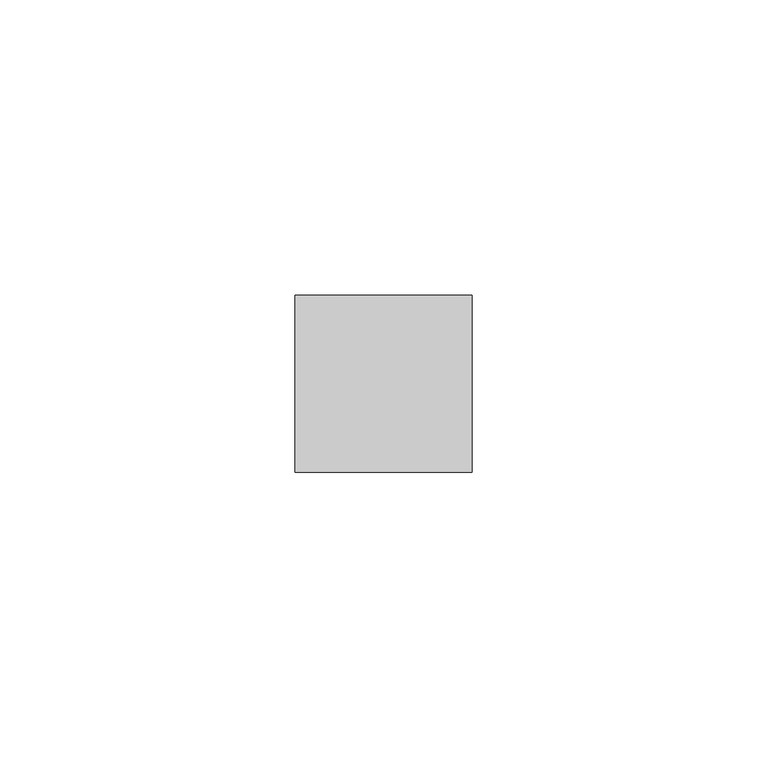
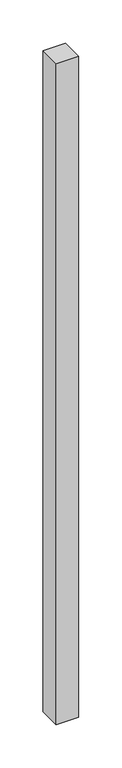
"""IFC4 building model written with IfcOpenShell, lengths in millimetres: member geometry."""

from ifc_helpers import new_model, si_unit, frame, origin, place, context, project, spatial, polyline, outline, extrude, source, transform, mapped, element, save


def member_19299eea(model_context):
    return source(origin(), model_context, "Body", "SweptSolid", [
        extrude(outline(polyline([(15.0, 15.0), (15.0, -15.0), (-15.0, -15.0), (-15.0, 15.0), (15.0, 15.0)])), frame((0.0, 0.0, -929.2857143), z_axis=(0.0, 0.0, 1.0), x_axis=(1.0, 0.0, 0.0)), (0.0, 0.0, 1.0), 929.2857143),
    ])


if __name__ == "__main__":
    model = new_model("IFC4")
    model_context = context("Model", 3, world=origin())
    ifc_project = project(units=[si_unit("LENGTHUNIT", "METRE", prefix="MILLI")], contexts=[model_context])
    site = spatial("IfcSite", under=ifc_project)
    building = spatial("IfcBuilding", under=site)
    placement = place(None, origin())
    member_shape = member_19299eea(model_context)
    element("IfcMember", 1, at=placement, inside=building, context=model_context, shape_type="MappedRepresentation", body=[
        mapped(member_shape, transform((0.0, 0.0, 0.0), x_axis=(1.0, 0.0, 0.0), y_axis=(0.0, 1.0, 0.0), z_axis=(0.0, 0.0, 1.0))),
    ])
    save(model, "model.ifc")
